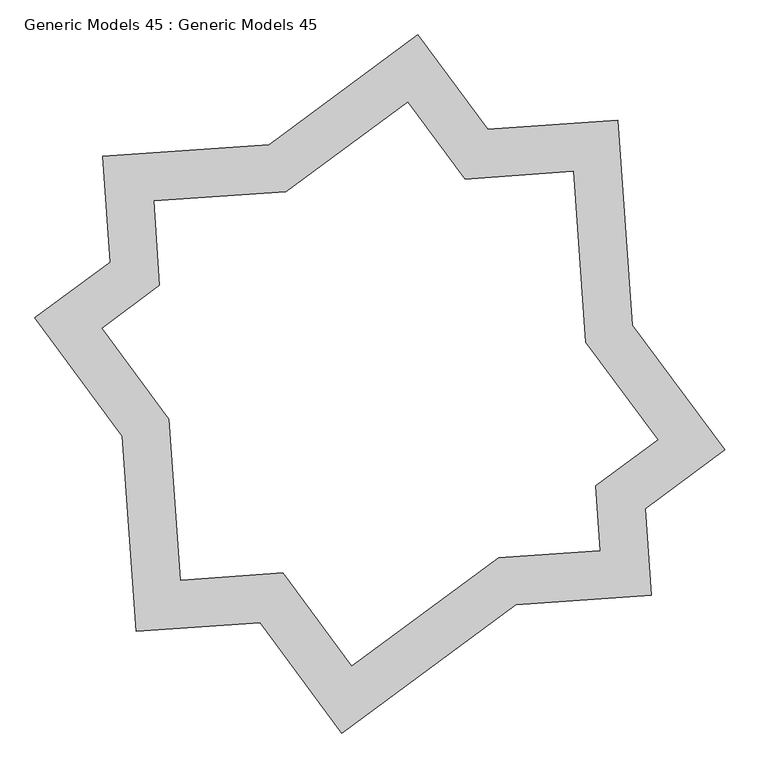
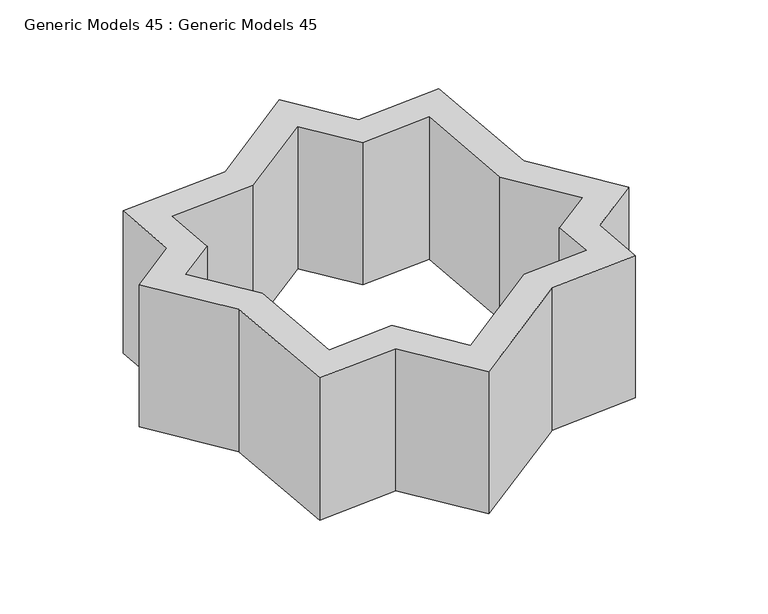
"""IFC4 building model written with IfcOpenShell, lengths in millimetres: proxy geometry, Generic Models 45 : Generic Models 45."""

from ifc_helpers import new_model, si_unit, origin, origin_with_axes, place, context, project, spatial, polyline, outline, extrude, source, transform, mapped, element, save


def generic_models_45_generic_models_45_f720b668(model_context):
    return source(origin(), model_context, "Body", "SweptSolid", [
        extrude(outline(polyline([(-260156.2381261, -1928.3693212), (-259613.133347, -1890.2699387), (-259553.2651421, -2743.6881851), (-259168.1346254, -3264.4481258), (-259499.5397878, -3509.5404063), (-259474.3010395, -3869.3174929), (-260039.6437546, -3908.9768905), (-260763.2250559, -4444.1049191), (-261103.7738911, -3983.6267603), (-261620.5520357, -4019.8793012), (-261677.5181701, -3207.8299235), (-262042.5473048, -2714.2503645), (-261728.4394, -2481.9503541), (-261759.3843432, -2040.831747), (-261066.2240496, -1992.2058093), (-260447.4568743, -1534.5935712), (-260156.2381261, -1928.3693212)]), holes=[polyline([(-259748.6991123, -2815.7832079), (-259798.6472199, -2103.7754491), (-260251.7601199, -2135.5618048), (-260489.3371398, -1814.3185135), (-260994.1290268, -2187.6397795), (-261545.8788328, -2226.3456199), (-261521.2469164, -2577.4723479), (-261762.8223625, -2756.13063), (-261482.0841999, -3135.7349006), (-261435.0381628, -3806.3737908), (-261008.2518973, -3776.4342767), (-260721.3447904, -4164.3799768), (-260111.7387774, -3713.5429203), (-259687.8065499, -3683.8036201), (-259706.7322714, -3414.0184124), (-259447.8595677, -3222.5678604), (-259748.6991123, -2815.7832079)])]), origin_with_axes(), (0.0, 0.0, 1.0), 980.8553208),
    ])


if __name__ == "__main__":
    model = new_model("IFC4")
    model_context = context("Model", 3, world=origin())
    ifc_project = project(units=[si_unit("LENGTHUNIT", "METRE", prefix="MILLI")], contexts=[model_context])
    site = spatial("IfcSite", under=ifc_project)
    building = spatial("IfcBuilding", under=site)
    placement = place(None, origin())
    generic_models_45_generic_models_45_shape = generic_models_45_generic_models_45_f720b668(model_context)
    element("IfcBuildingElementProxy", 1, Name="Generic Models 45 : Generic Models 45", ObjectType="Generic Models 45 : Generic Models 45", at=placement, inside=building, context=model_context, shape_type="MappedRepresentation", body=[
        mapped(generic_models_45_generic_models_45_shape, transform((0.0, 0.0, 0.0), x_axis=(1.0, 0.0, 0.0), y_axis=(0.0, 1.0, 0.0), z_axis=(0.0, 0.0, 1.0))),
    ])
    save(model, "model.ifc")
